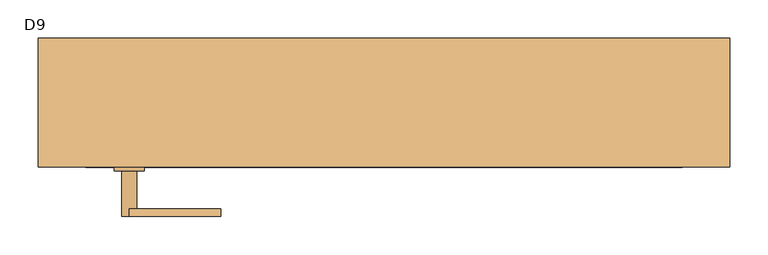
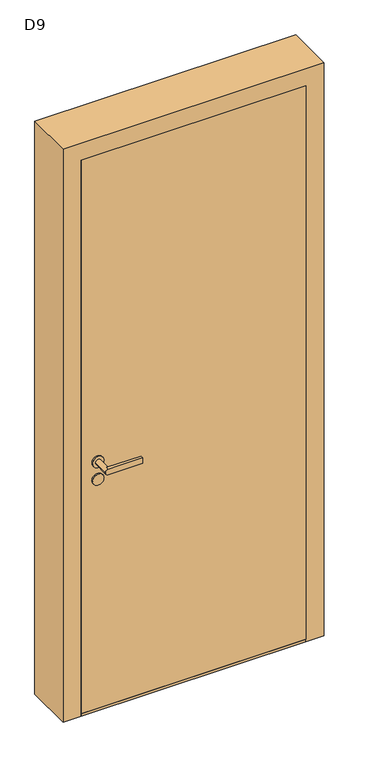
"""IFC4 building model written with IfcOpenShell, lengths in millimetres: door geometry, D9."""

from ifc_helpers import new_model, si_unit, point, frame, frame_2d, origin, origin_with_axes, place, context, project, spatial, polyline, circle_curve, trimmed, segment, composite_curve, outline, extrude, source, transform, mapped, element, save
from ifc_brep_helpers import plane_surface, cylinder_surface, advanced_brep


def d9_e6325a18(model_context):
    return source(origin(), model_context, "Body", "SolidModel", [
        extrude(outline(composite_curve([segment(trimmed(circle_curve(frame_2d((920.0, -335.0)), 20.0), [point((920.0, -355.0))], [point((920.0, -315.0))], False, "CARTESIAN"), True, "CONTINUOUS"), segment(trimmed(circle_curve(frame_2d((920.0, -335.0)), 20.0), [point((920.0, -315.0))], [point((920.0, -355.0))], False, "CARTESIAN"), True, "CONTINUOUS")], self_intersect=False)), frame((0.0, -35.0, 0.0), z_axis=(0.0, 1.0, 0.0), x_axis=(0.0, 0.0, 1.0)), (0.0, 0.0, 1.0), 5.0),
        advanced_brep(
        [(-335.0, 30.0, 910.0), (-345.0, 30.0, 920.0), (-335.0, 30.0, 930.0), (-215.0, 30.0, 930.0), (-215.0, 30.0, 910.0), (-335.0, 20.0, 930.0), (-325.0, 20.0, 920.0), (-335.0, 20.0, 910.0), (-215.0, 20.0, 910.0), (-215.0, 20.0, 930.0), (-345.0, -30.0, 920.0), (-325.0, -30.0, 920.0)],
        [
            (0, 1, circle_curve(frame((-335.0, 30.0, 920.0), z_axis=(0.0, 1.0, 0.0), x_axis=(1.0, 0.0, 0.0)), 10.0)),
            (1, 2, circle_curve(frame((-335.0, 30.0, 920.0), z_axis=(0.0, 1.0, 0.0), x_axis=(1.0, 0.0, 0.0)), 10.0)),
            (2, 3),
            (3, 4),
            (4, 0),
            (5, 6, circle_curve(frame((-335.0, 20.0, 920.0), z_axis=(0.0, 1.0, 0.0), x_axis=(1.0, 0.0, 0.0)), 10.0)),
            (6, 7, circle_curve(frame((-335.0, 20.0, 920.0), z_axis=(0.0, 1.0, 0.0), x_axis=(1.0, 0.0, 0.0)), 10.0)),
            (7, 8),
            (8, 9),
            (9, 5),
            (4, 8),
            (7, 0),
            (3, 9),
            (2, 5),
            (10, 11, circle_curve(frame((-335.0, -30.0, 920.0), z_axis=(0.0, -1.0, 0.0), x_axis=(1.0, 0.0, 0.0)), 10.0)),
            (11, 10, circle_curve(frame((-335.0, -30.0, 920.0), z_axis=(0.0, -1.0, 0.0), x_axis=(1.0, 0.0, 0.0)), 10.0)),
            (10, 1),
            (6, 11),
        ],
        [
            plane_surface(frame((-348.6268847, 30.0, 910.0), z_axis=(0.0, 1.0, 0.0), x_axis=(1.0, 0.0, 0.0))),
            plane_surface(frame((-348.6268847, 20.0, 910.0), z_axis=(0.0, -1.0, 0.0), x_axis=(-1.0, 0.0, 0.0))),
            plane_surface(frame((-335.0, 30.0, 910.0), z_axis=(0.0, 0.0, -1.0), x_axis=(0.0, -1.0, 0.0))),
            plane_surface(frame((-215.0, 30.0, 910.0), z_axis=(1.0, 0.0, 0.0), x_axis=(0.0, -1.0, 0.0))),
            plane_surface(frame((-215.0, 30.0, 930.0), z_axis=(0.0, 0.0, 1.0), x_axis=(0.0, -1.0, 0.0))),
            plane_surface(frame((-325.0, -30.0, 920.0), z_axis=(0.0, -1.0, 0.0), x_axis=(0.0, 0.0, -1.0))),
            cylinder_surface(frame((-335.0, -30.0, 920.0), z_axis=(0.0, 1.0, 0.0), x_axis=(1.0, 0.0, 0.0)), 10.0),
        ],
        [
            (0, [[1, 2, 3, 4, 5]]),
            (1, [[6, 7, 8, 9, 10]]),
            (2, [[11, -8, 12, -5]]),
            (3, [[13, -9, -11, -4]]),
            (4, [[14, -10, -13, -3]]),
            (5, [[15, 16]]),
            (6, [[17, -1, -12, -7, 18, -15]]),
            (6, [[-18, -6, -14, -2, -17, -16]]),
        ],
    ),
        extrude(outline(composite_curve([segment(trimmed(circle_curve(frame_2d((855.0, -335.0)), 20.0), [point((855.0, -355.0))], [point((855.0, -315.0))], False, "CARTESIAN"), True, "CONTINUOUS"), segment(trimmed(circle_curve(frame_2d((855.0, -335.0)), 20.0), [point((855.0, -315.0))], [point((855.0, -355.0))], False, "CARTESIAN"), True, "CONTINUOUS")], self_intersect=False)), frame((0.0, -35.0, 0.0), z_axis=(0.0, 1.0, 0.0), x_axis=(0.0, 0.0, 1.0)), (0.0, 0.0, 1.0), 5.0),
        extrude(outline(composite_curve([segment(trimmed(circle_curve(frame_2d((920.0, -335.0)), 20.0), [point((920.0, -355.0))], [point((920.0, -315.0))], False, "CARTESIAN"), True, "CONTINUOUS"), segment(trimmed(circle_curve(frame_2d((920.0, -335.0)), 20.0), [point((920.0, -315.0))], [point((920.0, -355.0))], False, "CARTESIAN"), True, "CONTINUOUS")], self_intersect=False)), frame((0.0, -90.0, 0.0), z_axis=(0.0, 1.0, 0.0), x_axis=(0.0, 0.0, 1.0)), (0.0, 0.0, 1.0), 5.0),
        advanced_brep(
        [(-335.0, -150.0, 910.0), (-215.0, -150.0, 910.0), (-215.0, -150.0, 930.0), (-335.0, -150.0, 930.0), (-345.0, -150.0, 920.0), (-335.0, -140.0, 930.0), (-215.0, -140.0, 930.0), (-215.0, -140.0, 910.0), (-335.0, -140.0, 910.0), (-325.0, -140.0, 920.0), (-345.0, -90.0, 920.0), (-325.0, -90.0, 920.0)],
        [
            (0, 1),
            (1, 2),
            (2, 3),
            (3, 4, circle_curve(frame((-335.0, -150.0, 920.0), z_axis=(0.0, -1.0, 0.0), x_axis=(1.0, 0.0, 0.0)), 10.0)),
            (4, 0, circle_curve(frame((-335.0, -150.0, 920.0), z_axis=(0.0, -1.0, 0.0), x_axis=(1.0, 0.0, 0.0)), 10.0)),
            (5, 6),
            (6, 7),
            (7, 8),
            (8, 9, circle_curve(frame((-335.0, -140.0, 920.0), z_axis=(0.0, -1.0, 0.0), x_axis=(1.0, 0.0, 0.0)), 10.0)),
            (9, 5, circle_curve(frame((-335.0, -140.0, 920.0), z_axis=(0.0, -1.0, 0.0), x_axis=(1.0, 0.0, 0.0)), 10.0)),
            (0, 8),
            (7, 1),
            (6, 2),
            (5, 3),
            (10, 11, circle_curve(frame((-335.0, -90.0, 920.0), z_axis=(0.0, 1.0, 0.0), x_axis=(1.0, 0.0, 0.0)), 10.0)),
            (11, 10, circle_curve(frame((-335.0, -90.0, 920.0), z_axis=(0.0, 1.0, 0.0), x_axis=(1.0, 0.0, 0.0)), 10.0)),
            (11, 9),
            (4, 10),
        ],
        [
            plane_surface(frame((-348.6268847, -150.0, 910.0), z_axis=(0.0, -1.0, 0.0), x_axis=(1.0, 0.0, 0.0))),
            plane_surface(frame((-348.6268847, -140.0, 910.0), z_axis=(0.0, 1.0, 0.0), x_axis=(-1.0, 0.0, 0.0))),
            plane_surface(frame((-335.0, -150.0, 910.0), z_axis=(0.0, 0.0, -1.0), x_axis=(0.0, 1.0, 0.0))),
            plane_surface(frame((-215.0, -150.0, 910.0), z_axis=(1.0, 0.0, 0.0), x_axis=(0.0, 1.0, 0.0))),
            plane_surface(frame((-215.0, -150.0, 930.0), z_axis=(0.0, 0.0, 1.0), x_axis=(0.0, 1.0, 0.0))),
            plane_surface(frame((-325.0, -90.0, 920.0), z_axis=(0.0, 1.0, 0.0), x_axis=(0.0, 0.0, -1.0))),
            cylinder_surface(frame((-335.0, -90.0, 920.0), z_axis=(0.0, -1.0, 0.0), x_axis=(1.0, 0.0, 0.0)), 10.0),
        ],
        [
            (0, [[1, 2, 3, 4, 5]]),
            (1, [[6, 7, 8, 9, 10]]),
            (2, [[-1, 11, -8, 12]]),
            (3, [[-2, -12, -7, 13]]),
            (4, [[-3, -13, -6, 14]]),
            (5, [[15, 16]]),
            (6, [[-16, 17, -9, -11, -5, 18]]),
            (6, [[-15, -18, -4, -14, -10, -17]]),
        ],
    ),
        extrude(outline(composite_curve([segment(trimmed(circle_curve(frame_2d((855.0, -335.0)), 20.0), [point((855.0, -355.0))], [point((855.0, -315.0))], False, "CARTESIAN"), True, "CONTINUOUS"), segment(trimmed(circle_curve(frame_2d((855.0, -335.0)), 20.0), [point((855.0, -315.0))], [point((855.0, -355.0))], False, "CARTESIAN"), True, "CONTINUOUS")], self_intersect=False)), frame((0.0, -90.0, 0.0), z_axis=(0.0, 1.0, 0.0), x_axis=(0.0, 0.0, 1.0)), (0.0, 0.0, 1.0), 5.0),
        extrude(outline(polyline([(-392.5, -85.0), (-392.5, -35.0), (392.5, -35.0), (392.5, -85.0), (-392.5, -85.0)])), frame((0.0, 0.0, 10.0), z_axis=(0.0, 0.0, 1.0), x_axis=(1.0, 0.0, 0.0)), (0.0, 0.0, 1.0), 2037.5),
        extrude(outline(polyline([(2110.0, 455.0), (2110.0, -455.0), (0.0, -455.0), (0.0, -392.5), (2047.5, -392.5), (2047.5, 392.5), (0.0, 392.5), (0.0, 455.0), (2110.0, 455.0)])), frame((0.0, -85.0, 0.0), z_axis=(0.0, 1.0, 0.0), x_axis=(0.0, 0.0, 1.0)), (0.0, 0.0, 1.0), 170.0),
        extrude(outline(polyline([(-392.5, 85.0), (392.5, 85.0), (392.5, -85.0), (-392.5, -85.0), (-392.5, 85.0)])), origin_with_axes(), (0.0, 0.0, 1.0), 10.0),
    ])


if __name__ == "__main__":
    model = new_model("IFC4")
    model_context = context("Model", 3, world=origin())
    ifc_project = project(units=[si_unit("LENGTHUNIT", "METRE", prefix="MILLI")], contexts=[model_context])
    site = spatial("IfcSite", under=ifc_project)
    building = spatial("IfcBuilding", under=site)
    placement = place(None, origin())
    d9_shape = d9_e6325a18(model_context)
    element("IfcDoor", 1, ObjectType="D9", at=placement, inside=building, context=model_context, shape_type="MappedRepresentation", body=[
        mapped(d9_shape, transform((0.0, 0.0, 0.0), x_axis=(1.0, 0.0, 0.0), y_axis=(0.0, 1.0, 0.0), z_axis=(0.0, 0.0, 1.0))),
    ])
    save(model, "model.ifc")
